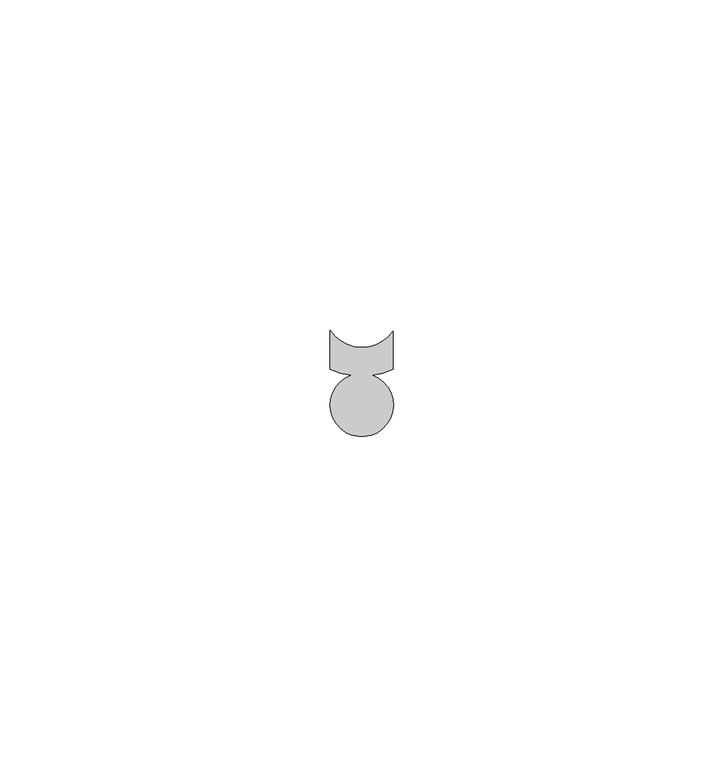
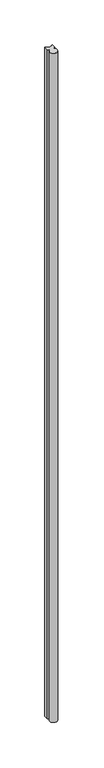
"""IFC4 building model written with IfcOpenShell, lengths in millimetres: proxy geometry."""

import ifcopenshell
import ifcopenshell.guid

model = None  # the IFC model being written
_history = None  # IfcOwnerHistory: only IFC2X3 demands one
_inside = {}  # id of a spatial element -> (the spatial element, [elements in it])
_under = {}  # id of a project, library or spatial element -> (it, [spatial elements below it])
_declared = {}  # id of a project -> (the project, [libraries it declares])
_typed = {}  # id of a type object -> (the type object, [elements of that type])
_made_of = {}  # id of a material, layer set ... -> (it, [elements and type objects made of it])


def new_model(schema):
    """Start an empty IFC model of exactly this schema.

    Asked for "IFC4X3", IfcOpenShell would pick the latest addendum, in which some entities
    have other attributes; the version numbers below select the first issue.
    IFC2X3 requires an IfcOwnerHistory on every rooted entity: one is made here for all.
    """
    global model, _history
    if schema == "IFC4X3":
        model = ifcopenshell.file(schema_version=(4, 3, 0, 0))
    else:
        model = ifcopenshell.file(schema=schema)
    _inside.clear()
    _under.clear()
    _declared.clear()
    _typed.clear()
    _made_of.clear()
    _history = None
    if model.schema == "IFC2X3":
        org = make("IfcOrganization", Name="unknown")
        user = make(
            "IfcPersonAndOrganization",
            ThePerson=make("IfcPerson", FamilyName="unknown"),
            TheOrganization=org,
        )
        app = make(
            "IfcApplication",
            ApplicationDeveloper=org,
            Version="unknown",
            ApplicationFullName="unknown",
            ApplicationIdentifier="unknown",
        )
        _history = make(
            "IfcOwnerHistory",
            OwningUser=user,
            OwningApplication=app,
            ChangeAction="ADDED",
            CreationDate=0,
        )
    return model


def make(cls, **values):
    """One entity of the class cls with the attributes given. An attribute that is None is left unset."""
    return model.create_entity(
        cls, **{name: value for name, value in values.items() if value is not None}
    )


def rooted(cls, **values):
    """An entity with a GlobalId (a new one), such as an element, a storey or a relation."""
    return make(cls, GlobalId=ifcopenshell.guid.new(), OwnerHistory=_history, **values)


def si_unit(unit_type, name, prefix=None):
    """IfcSIUnit, for example si_unit("LENGTHUNIT", "METRE", prefix="MILLI")."""
    return make("IfcSIUnit", UnitType=unit_type, Prefix=prefix, Name=name)


def assignment(units):
    """IfcUnitAssignment: the units of a project."""
    return None if units is None else make("IfcUnitAssignment", Units=units)


def point(xyz):
    """IfcCartesianPoint."""
    return None if xyz is None else make("IfcCartesianPoint", Coordinates=xyz)


def direction(xyz):
    """IfcDirection."""
    return None if xyz is None else make("IfcDirection", DirectionRatios=xyz)


def frame(location, z_axis=None, x_axis=None):
    """IfcAxis2Placement3D, a coordinate frame: its origin and axes. An axis left out is left unset."""
    return make(
        "IfcAxis2Placement3D",
        Location=point(location),
        Axis=direction(z_axis),
        RefDirection=direction(x_axis),
    )


def frame_2d(location, x_axis=None):
    """IfcAxis2Placement2D, a coordinate frame in the plane: its origin and x axis."""
    return make(
        "IfcAxis2Placement2D", Location=point(location), RefDirection=direction(x_axis)
    )


def origin():
    """The frame at (0, 0, 0) with its axes left unset."""
    return frame((0.0, 0.0, 0.0))


def place(relative_to, where):
    """IfcLocalPlacement: puts the frame where relative to a parent placement (None: the world)."""
    return make(
        "IfcLocalPlacement", PlacementRelTo=relative_to, RelativePlacement=where
    )


def context(
    kind, dimensions, precision=None, world=None, true_north=None, identifier=None
):
    """IfcGeometricRepresentationContext, for example the 3D "Model" context."""
    return make(
        "IfcGeometricRepresentationContext",
        ContextIdentifier=identifier,
        ContextType=kind,
        CoordinateSpaceDimension=dimensions,
        Precision=precision,
        WorldCoordinateSystem=world,
        TrueNorth=true_north,
    )


def project(units=None, contexts=None):
    """IfcProject with its units and contexts."""
    return rooted(
        "IfcProject",
        Name="project",
        RepresentationContexts=contexts,
        UnitsInContext=assignment(units),
    )


def spatial(cls, under=None, at=None, **own):
    """A site, building, storey or space (cls), placed at a placement, below another one or the project."""
    s = rooted(cls, ObjectPlacement=at, **own)
    if under is not None:
        _under.setdefault(under.id(), (under, []))[1].append(s)
    return s


def polyline(points):
    """IfcPolyline through the points."""
    return make("IfcPolyline", Points=[point(p) for p in points])


def circle_curve(where, radius):
    """IfcCircle in the frame where."""
    return make("IfcCircle", Position=where, Radius=radius)


def trimmed(basis, trim1, trim2, sense, master):
    """IfcTrimmedCurve: the piece of a basis curve between two trims."""
    return make(
        "IfcTrimmedCurve",
        BasisCurve=basis,
        Trim1=trim1,
        Trim2=trim2,
        SenseAgreement=sense,
        MasterRepresentation=master,
    )


def segment(curve, same_sense, transition):
    """IfcCompositeCurveSegment."""
    return make(
        "IfcCompositeCurveSegment",
        Transition=transition,
        SameSense=same_sense,
        ParentCurve=curve,
    )


def composite_curve(segments, self_intersect=None):
    """IfcCompositeCurve: segments joined end to end."""
    return make("IfcCompositeCurve", Segments=segments, SelfIntersect=self_intersect)


def outline(outer, holes=None, kind="AREA"):
    """IfcArbitraryClosedProfileDef: a profile drawn as a closed curve; with holes, ...WithVoids."""
    if holes is None:
        return make("IfcArbitraryClosedProfileDef", ProfileType=kind, OuterCurve=outer)
    return make(
        "IfcArbitraryProfileDefWithVoids",
        ProfileType=kind,
        OuterCurve=outer,
        InnerCurves=holes,
    )


def extrude(swept, where, along, depth):
    """IfcExtrudedAreaSolid: the profile swept, set in the frame where, extruded along a direction by depth."""
    return make(
        "IfcExtrudedAreaSolid",
        SweptArea=swept,
        Position=where,
        ExtrudedDirection=direction(along),
        Depth=depth,
    )


def shape(context_of_items, identifier, shape_type, items):
    """IfcShapeRepresentation: the items that make up one representation, for example the "Body"."""
    return make(
        "IfcShapeRepresentation",
        ContextOfItems=context_of_items,
        RepresentationIdentifier=identifier,
        RepresentationType=shape_type,
        Items=items,
    )


def source(mapping_origin, context_of_items, identifier, shape_type, items):
    """IfcRepresentationMap: a shape defined once, which mapped items show again and again."""
    return make(
        "IfcRepresentationMap",
        MappingOrigin=mapping_origin,
        MappedRepresentation=shape(context_of_items, identifier, shape_type, items),
    )


def transform(
    local_origin,
    x_axis=None,
    y_axis=None,
    z_axis=None,
    scale=None,
    scale2=None,
    scale3=None,
    uniform=True,
):
    """IfcCartesianTransformationOperator3D, or its non-uniform kind. x_axis, y_axis, z_axis: its Axis1, 2, 3."""
    if uniform:
        return make(
            "IfcCartesianTransformationOperator3D",
            Axis1=direction(x_axis),
            Axis2=direction(y_axis),
            LocalOrigin=point(local_origin),
            Scale=scale,
            Axis3=direction(z_axis),
        )
    return make(
        "IfcCartesianTransformationOperator3DnonUniform",
        Axis1=direction(x_axis),
        Axis2=direction(y_axis),
        LocalOrigin=point(local_origin),
        Scale=scale,
        Axis3=direction(z_axis),
        Scale2=scale2,
        Scale3=scale3,
    )


def mapped(mapping_source, mapping_target):
    """IfcMappedItem: shows the shape of a source again, moved by a transform."""
    return make(
        "IfcMappedItem", MappingSource=mapping_source, MappingTarget=mapping_target
    )


def made_of(thing, what):
    """Note that an element or type object is made of a material, layer set ...; save() writes the relation."""
    if what is not None:
        _made_of.setdefault(what.id(), (what, []))[1].append(thing)
    return thing


def element(
    cls,
    number,
    at=None,
    inside=None,
    cuts=None,
    type_object=None,
    material=None,
    context=None,
    identifier="Body",
    shape_type=None,
    held_by="IfcProductDefinitionShape",
    body=None,
    shapes=None,
    **own,
):
    """One element of the class cls, such as IfcWall. Its Tag is "e" and its number.

    at: its placement. inside: the storey or other place that contains it. cuts: it is an
    opening in that element (IfcRelVoidsElement). A single representation is given by context,
    identifier, shape_type and body (its items); several are given by shapes. held_by: the class
    of the entity that holds the representations. save() writes the other relations.
    """
    e = rooted(cls, Tag="e%d" % number, ObjectPlacement=at, **own)
    if body is not None:
        shapes = [shape(context, identifier, shape_type, body)]
    if shapes is not None:
        e.Representation = make(held_by, Representations=shapes)
    if inside is not None:
        _inside.setdefault(inside.id(), (inside, []))[1].append(e)
    if cuts is not None:
        rooted(
            "IfcRelVoidsElement", RelatingBuildingElement=cuts, RelatedOpeningElement=e
        )
    if type_object is not None:
        _typed.setdefault(type_object.id(), (type_object, []))[1].append(e)
    return made_of(e, material)


def aggregate(whole, parts):
    """IfcRelAggregates: a whole, such as a stair, and the parts it consists of."""
    return rooted("IfcRelAggregates", RelatingObject=whole, RelatedObjects=parts)


def save(model, path):
    """Write the relations noted so far, then the file.

    IfcRelAggregates (storeys below a building ...), IfcRelContainedInSpatialStructure (elements
    in a storey), IfcRelDefinesByType, IfcRelAssociatesMaterial and IfcRelDeclares: one each for
    every whole, place, type object, material and project.
    """
    for whole, parts in _under.values():
        aggregate(whole, parts)
    for where, things in _inside.values():
        rooted(
            "IfcRelContainedInSpatialStructure",
            RelatedElements=things,
            RelatingStructure=where,
        )
    for kind, things in _typed.values():
        rooted("IfcRelDefinesByType", RelatedObjects=things, RelatingType=kind)
    for what, things in _made_of.values():
        rooted("IfcRelAssociatesMaterial", RelatedObjects=things, RelatingMaterial=what)
    for by, libraries in _declared.values():
        rooted("IfcRelDeclares", RelatingContext=by, RelatedDefinitions=libraries)
    model.write(path)


def generic_models_74def195(model_context):
    return source(origin(), model_context, "Body", "SweptSolid", [
        extrude(outline(composite_curve([segment(trimmed(circle_curve(frame_2d((37267.1627349, -20810.8263251)), 5.7427597), [point((37262.3710168, -20813.9915624))], [point((37271.8924255, -20814.0835196))], True, "CARTESIAN"), True, "CONTINUOUS"), segment(polyline([(37271.8924255, -20814.0835196), (37271.8924255, -20819.832093)]), True, "CONTINUOUS"), segment(trimmed(circle_curve(frame_2d((37267.1299255, -20809.9606044)), 10.9602779), [point((37271.8924255, -20819.832093))], [point((37268.7909799, -20820.794283))], False, "CARTESIAN"), True, "CONTINUOUS"), segment(trimmed(circle_curve(frame_2d((37267.1458725, -20825.2806152)), 4.778447), [point((37268.7909799, -20820.794283))], [point((37265.4914287, -20820.7977175))], False, "CARTESIAN"), True, "CONTINUOUS"), segment(trimmed(circle_curve(frame_2d((37267.1299255, -20809.9606044)), 10.9602779), [point((37265.4914287, -20820.7977175))], [point((37262.3710168, -20819.8338248))], False, "CARTESIAN"), True, "CONTINUOUS"), segment(polyline([(37262.3710168, -20819.8338248), (37262.3710168, -20813.9915624)]), True, "CONTINUOUS")], self_intersect=False)), frame((0.0, 0.0, 1524.0), z_axis=(0.0, 0.0, 1.0), x_axis=(1.0, 0.0, 0.0)), (0.0, 0.0, 1.0), 914.4),
    ])


if __name__ == "__main__":
    model = new_model("IFC4")
    model_context = context("Model", 3, world=origin())
    ifc_project = project(units=[si_unit("LENGTHUNIT", "METRE", prefix="MILLI")], contexts=[model_context])
    site = spatial("IfcSite", under=ifc_project)
    building = spatial("IfcBuilding", under=site)
    placement = place(None, origin())
    generic_models_shape = generic_models_74def195(model_context)
    element("IfcBuildingElementProxy", 1, Name="Generic Models", at=placement, inside=building, context=model_context, shape_type="MappedRepresentation", body=[
        mapped(generic_models_shape, transform((0.0, 0.0, 0.0), x_axis=(1.0, 0.0, 0.0), y_axis=(0.0, 1.0, 0.0), z_axis=(0.0, 0.0, 1.0))),
    ])
    save(model, "model.ifc")
